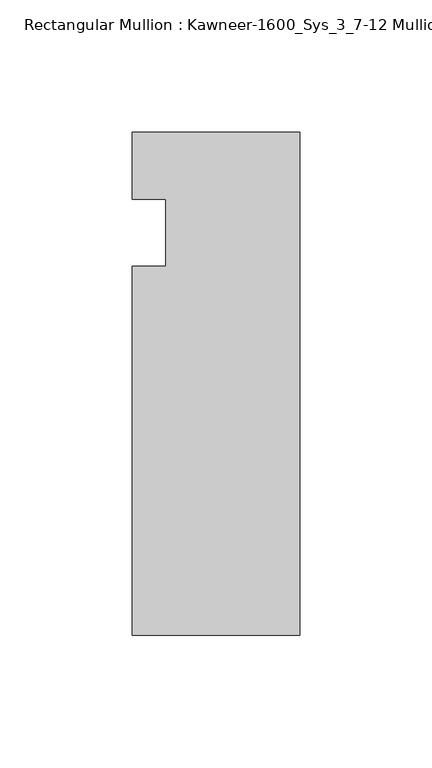
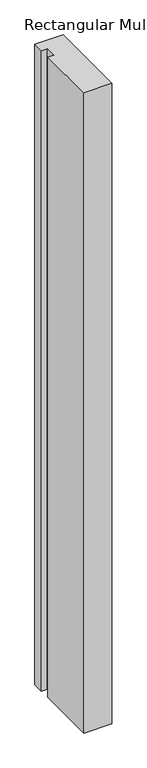
"""IFC4 building model written with IfcOpenShell, lengths in millimetres: member geometry, Rectangular Mullion : Kawneer-1600_Sys_3_7-12 Mullion_Jamb L."""

from ifc_helpers import new_model, si_unit, frame, origin, place, context, project, spatial, polyline, outline, extrude, source, transform, mapped, element, save


def rectangular_mullion_kawneer_1600_sys_3_7_12_mullion_jamb_l_2a9d40a2(model_context):
    return source(origin(), model_context, "Body", "SweptSolid", [
        extrude(outline(polyline([(-63.5, -152.4), (-63.5, -12.7), (-50.7982296, -12.7), (-50.7982296, 12.7), (-63.5, 12.7), (-63.5, 38.1), (0.0, 38.1), (0.0, -152.4), (-63.5, -152.4)])), frame((0.0, 0.0, -1524.0), z_axis=(0.0, 0.0, 1.0), x_axis=(1.0, 0.0, 0.0)), (0.0, 0.0, 1.0), 1524.0),
    ])


if __name__ == "__main__":
    model = new_model("IFC4")
    model_context = context("Model", 3, world=origin())
    ifc_project = project(units=[si_unit("LENGTHUNIT", "METRE", prefix="MILLI")], contexts=[model_context])
    site = spatial("IfcSite", under=ifc_project)
    building = spatial("IfcBuilding", under=site)
    placement = place(None, origin())
    rectangular_mullion_kawneer_1600_sys_3_7_12_mullion_jamb_l_shape = rectangular_mullion_kawneer_1600_sys_3_7_12_mullion_jamb_l_2a9d40a2(model_context)
    element("IfcMember", 1, ObjectType="Rectangular Mullion : Kawneer-1600_Sys_3_7-12 Mullion_Jamb L", at=placement, inside=building, context=model_context, shape_type="MappedRepresentation", body=[
        mapped(rectangular_mullion_kawneer_1600_sys_3_7_12_mullion_jamb_l_shape, transform((0.0, 0.0, 0.0), x_axis=(1.0, 0.0, 0.0), y_axis=(0.0, 1.0, 0.0), z_axis=(0.0, 0.0, 1.0))),
    ])
    save(model, "model.ifc")
